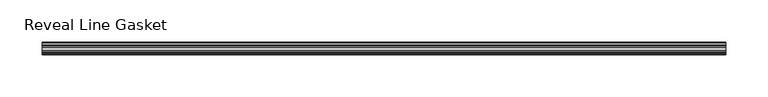
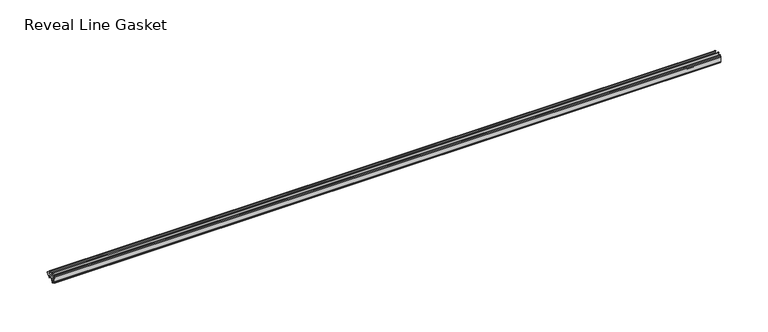
"""IFC4 building model written with IfcOpenShell, lengths in millimetres: furniture geometry, Reveal Line Gasket."""

from ifc_helpers import new_model, si_unit, point, frame, frame_2d, origin, place, context, project, spatial, polyline, circle_curve, trimmed, segment, composite_curve, outline, extrude, source, transform, mapped, element, save


def reveal_line_gasket_fa62c7d0(model_context):
    return source(origin(), model_context, "Body", "SweptSolid", [
        extrude(outline(composite_curve([segment(polyline([(-7.6326998, 1603.2), (-7.4091917, 1604.1554927), (-6.8813059, 1605.0884684)]), True, "CONTINUOUS"), segment(trimmed(circle_curve(frame_2d((-6.5243141, 1604.8864793)), 0.4101739), [point((-6.8813059, 1605.0884684))], [point((-6.1246704, 1604.7941347))], False, "CARTESIAN"), True, "CONTINUOUS"), segment(polyline([(-6.1246704, 1604.7941347), (-6.3626997, 1603.0979086), (-6.3626997, 1601.0654527)]), True, "CONTINUOUS"), segment(trimmed(circle_curve(frame_2d((-5.6959605, 1601.4819258)), 0.786124), [point((-6.3626997, 1601.0654527))], [point((-5.0926996, 1600.977875))], True, "CARTESIAN"), True, "CONTINUOUS"), segment(polyline([(-5.0926996, 1600.977875), (-0.7492996, 1600.977875), (-3.7293824, 1606.1395295)]), True, "CONTINUOUS"), segment(trimmed(circle_curve(frame_2d((-3.3132479, 1606.2049761)), 0.4212495), [point((-3.7293824, 1606.1395295))], [point((-3.0485022, 1606.5326358))], False, "CARTESIAN"), True, "CONTINUOUS"), segment(polyline([(-3.0485022, 1606.5326358), (0.5742594, 1600.977875), (4.8262978, 1600.977875), (3.1660374, 1603.8535297)]), True, "CONTINUOUS"), segment(trimmed(circle_curve(frame_2d((3.5978728, 1603.9118855)), 0.4357605), [point((3.1660374, 1603.8535297))], [point((3.864328, 1604.2566881))], False, "CARTESIAN"), True, "CONTINUOUS"), segment(polyline([(3.864328, 1604.2566881), (6.1944059, 1600.977875), (7.6326998, 1600.977875), (7.6326998, 1599.422125), (6.1944059, 1599.422125), (3.864328, 1596.1433119)]), True, "CONTINUOUS"), segment(trimmed(circle_curve(frame_2d((3.5978728, 1596.4881145)), 0.4357605), [point((3.864328, 1596.1433119))], [point((3.1660374, 1596.5464703))], False, "CARTESIAN"), True, "CONTINUOUS"), segment(polyline([(3.1660374, 1596.5464703), (4.8262978, 1599.422125), (0.5742594, 1599.422125), (-3.0485022, 1593.8673642)]), True, "CONTINUOUS"), segment(trimmed(circle_curve(frame_2d((-3.3132479, 1594.1950239)), 0.4212495), [point((-3.0485022, 1593.8673642))], [point((-3.7293824, 1594.2604705))], False, "CARTESIAN"), True, "CONTINUOUS"), segment(polyline([(-3.7293824, 1594.2604705), (-0.7492996, 1599.422125), (-5.0926996, 1599.422125)]), True, "CONTINUOUS"), segment(trimmed(circle_curve(frame_2d((-5.6959605, 1598.9180742)), 0.786124), [point((-5.0926996, 1599.422125))], [point((-6.3626997, 1599.3345473))], True, "CARTESIAN"), True, "CONTINUOUS"), segment(polyline([(-6.3626997, 1599.3345473), (-6.3626997, 1597.3020914), (-6.1246704, 1595.6058653)]), True, "CONTINUOUS"), segment(trimmed(circle_curve(frame_2d((-6.5243141, 1595.5135207)), 0.4101739), [point((-6.1246704, 1595.6058653))], [point((-6.8813059, 1595.3115316))], False, "CARTESIAN"), True, "CONTINUOUS"), segment(polyline([(-6.8813059, 1595.3115316), (-7.4091917, 1596.2445073), (-7.6326998, 1597.2), (-7.6326998, 1603.2)]), True, "CONTINUOUS")], self_intersect=False)), frame((-407.1249464, 0.0, 0.0), z_axis=(1.0, 0.0, 0.0), x_axis=(0.0, 1.0, 0.0)), (0.0, 0.0, 1.0), 814.2498928),
    ])


if __name__ == "__main__":
    model = new_model("IFC4")
    model_context = context("Model", 3, world=origin())
    ifc_project = project(units=[si_unit("LENGTHUNIT", "METRE", prefix="MILLI")], contexts=[model_context])
    site = spatial("IfcSite", under=ifc_project)
    building = spatial("IfcBuilding", under=site)
    placement = place(None, origin())
    reveal_line_gasket_shape = reveal_line_gasket_fa62c7d0(model_context)
    element("IfcFurniture", 1, ObjectType="Reveal Line Gasket", at=placement, inside=building, context=model_context, shape_type="MappedRepresentation", body=[
        mapped(reveal_line_gasket_shape, transform((0.0, 0.0, 0.0), x_axis=(1.0, 0.0, 0.0), y_axis=(0.0, 1.0, 0.0), z_axis=(0.0, 0.0, 1.0))),
    ])
    save(model, "model.ifc")
